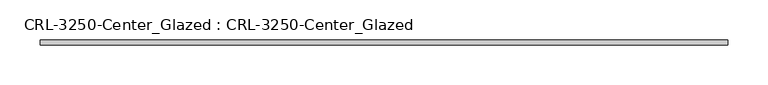
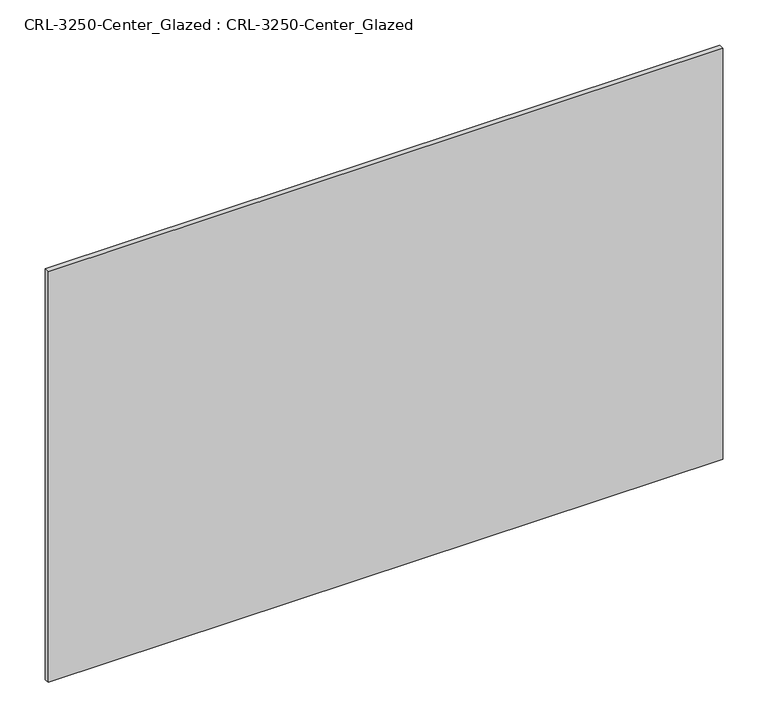
"""IFC4 building model written with IfcOpenShell, lengths in millimetres: plate geometry, CRL-3250-Center_Glazed : CRL-3250-Center_Glazed."""

from ifc_helpers import new_model, si_unit, origin, origin_with_axes, place, context, project, spatial, polyline, outline, extrude, source, transform, mapped, element, save


def crl_3250_center_glazed_crl_3250_center_glazed_43ab7814(model_context):
    return source(origin(), model_context, "Body", "SweptSolid", [
        extrude(outline(polyline([(428.8083322, -3.1749999), (-428.8083322, -3.1749999), (-428.8083322, 3.1749999), (428.8083322, 3.1749999), (428.8083322, -3.1749999)])), origin_with_axes(), (0.0, 0.0, 1.0), 552.4500045),
    ])


if __name__ == "__main__":
    model = new_model("IFC4")
    model_context = context("Model", 3, world=origin())
    ifc_project = project(units=[si_unit("LENGTHUNIT", "METRE", prefix="MILLI")], contexts=[model_context])
    site = spatial("IfcSite", under=ifc_project)
    building = spatial("IfcBuilding", under=site)
    placement = place(None, origin())
    crl_3250_center_glazed_crl_3250_center_glazed_shape = crl_3250_center_glazed_crl_3250_center_glazed_43ab7814(model_context)
    element("IfcPlate", 1, ObjectType="CRL-3250-Center_Glazed : CRL-3250-Center_Glazed", at=placement, inside=building, context=model_context, shape_type="MappedRepresentation", body=[
        mapped(crl_3250_center_glazed_crl_3250_center_glazed_shape, transform((0.0, 0.0, 0.0), x_axis=(1.0, 0.0, 0.0), y_axis=(0.0, 1.0, 0.0), z_axis=(0.0, 0.0, 1.0))),
    ])
    save(model, "model.ifc")
